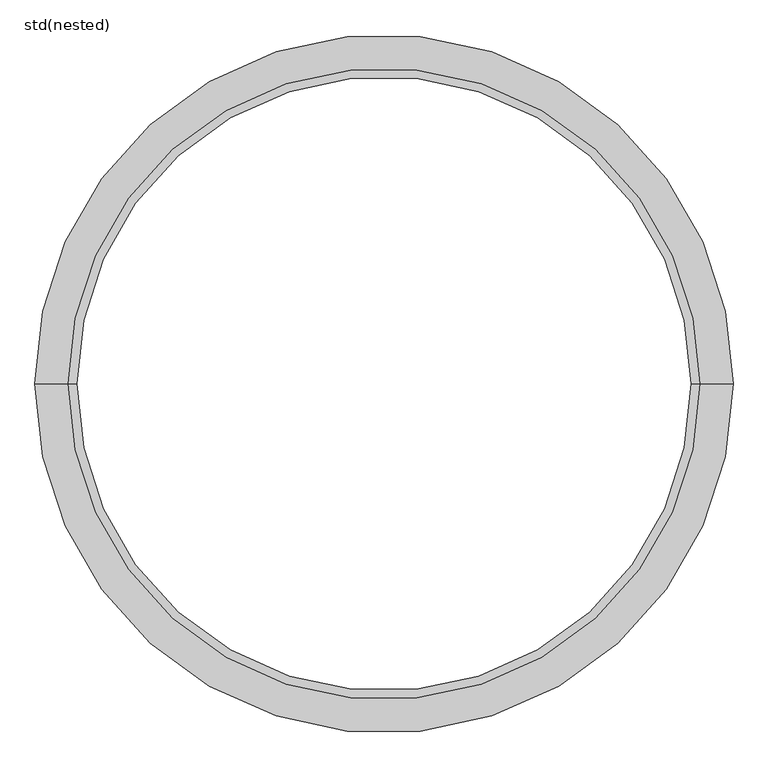
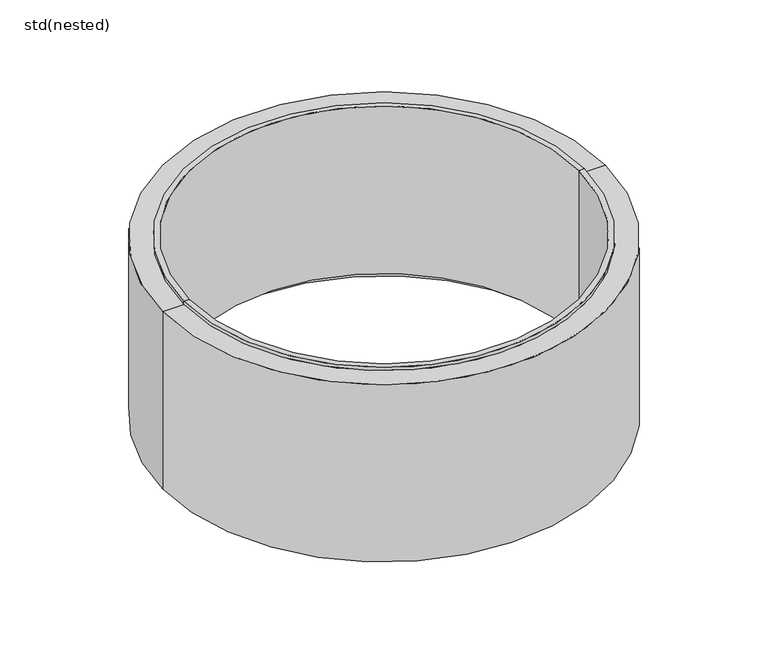
"""IFC4 building model written with IfcOpenShell, lengths in millimetres: unitary equipment geometry, std(nested)."""

from ifc_helpers import new_model, si_unit, frame, origin, place, context, project, spatial, polyline, circle_curve, source, transform, mapped, element, save
from ifc_brep_helpers import plane_surface, cylinder_surface, revolved_surface, advanced_brep


def std_nested_4113eb16(model_context):
    return source(origin(), model_context, "Body", "AdvancedBrep", [
        advanced_brep(
        [(1100.0, 0.0, -480.0), (-1100.0, 0.0, -480.0), (-1100.0, 0.0, -1480.0), (1100.0, 0.0, -1480.0), (1130.0, 0.0, -480.0), (-1130.0, 0.0, -480.0), (1130.0, 0.0, -500.0), (-1130.0, 0.0, -500.0), (1250.0, 0.0, -500.0), (-1250.0, 0.0, -500.0), (1250.0, 0.0, -1560.0), (-1250.0, 0.0, -1560.0), (1195.0, 0.0, -1560.0), (-1195.0, 0.0, -1560.0), (1195.0, 0.0, -1480.0), (-1195.0, 0.0, -1480.0)],
        [
            (0, 1, circle_curve(frame((0.0, 0.0, -480.0), z_axis=(0.0, 0.0, 1.0), x_axis=(-1.0, 0.0, 0.0)), 1100.0)),
            (1, 2),
            (2, 3, circle_curve(frame((0.0, 0.0, -1480.0), z_axis=(0.0, 0.0, -1.0), x_axis=(-1.0, 0.0, 0.0)), 1100.0)),
            (3, 0),
            (1, 0, circle_curve(frame((0.0, 0.0, -480.0), z_axis=(0.0, 0.0, 1.0), x_axis=(-1.0, 0.0, 0.0)), 1100.0)),
            (3, 2, circle_curve(frame((0.0, 0.0, -1480.0), z_axis=(0.0, 0.0, -1.0), x_axis=(-1.0, 0.0, 0.0)), 1100.0)),
            (4, 5, circle_curve(frame((0.0, 0.0, -480.0), z_axis=(0.0, 0.0, 1.0), x_axis=(-1.0, 0.0, 0.0)), 1130.0)),
            (5, 1),
            (0, 4),
            (5, 4, circle_curve(frame((0.0, 0.0, -480.0), z_axis=(0.0, 0.0, 1.0), x_axis=(-1.0, 0.0, 0.0)), 1130.0)),
            (6, 7, circle_curve(frame((0.0, 0.0, -500.0), z_axis=(0.0, 0.0, 1.0), x_axis=(-1.0, 0.0, 0.0)), 1130.0)),
            (7, 5),
            (4, 6),
            (7, 6, circle_curve(frame((0.0, 0.0, -500.0), z_axis=(0.0, 0.0, 1.0), x_axis=(-1.0, 0.0, 0.0)), 1130.0)),
            (8, 9, circle_curve(frame((0.0, 0.0, -500.0), z_axis=(0.0, 0.0, 1.0), x_axis=(-1.0, 0.0, 0.0)), 1250.0)),
            (9, 7),
            (6, 8),
            (9, 8, circle_curve(frame((0.0, 0.0, -500.0), z_axis=(0.0, 0.0, 1.0), x_axis=(-1.0, 0.0, 0.0)), 1250.0)),
            (10, 11, circle_curve(frame((0.0, 0.0, -1560.0), z_axis=(0.0, 0.0, 1.0), x_axis=(-1.0, 0.0, 0.0)), 1250.0)),
            (11, 9),
            (8, 10),
            (11, 10, circle_curve(frame((0.0, 0.0, -1560.0), z_axis=(0.0, 0.0, 1.0), x_axis=(-1.0, 0.0, 0.0)), 1250.0)),
            (12, 13, circle_curve(frame((0.0, 0.0, -1560.0), z_axis=(0.0, 0.0, 1.0), x_axis=(-1.0, 0.0, 0.0)), 1195.0)),
            (13, 11),
            (10, 12),
            (13, 12, circle_curve(frame((0.0, 0.0, -1560.0), z_axis=(0.0, 0.0, 1.0), x_axis=(-1.0, 0.0, 0.0)), 1195.0)),
            (14, 15, circle_curve(frame((0.0, 0.0, -1480.0), z_axis=(0.0, 0.0, 1.0), x_axis=(-1.0, 0.0, 0.0)), 1195.0)),
            (15, 13),
            (12, 14),
            (15, 14, circle_curve(frame((0.0, 0.0, -1480.0), z_axis=(0.0, 0.0, 1.0), x_axis=(-1.0, 0.0, 0.0)), 1195.0)),
            (2, 15),
            (14, 3),
        ],
        [
            revolved_surface(polyline([(-1100.0, 0.0, -1480.0), (-1100.0, 0.0, -480.0)]), (0.0, 0.0, 2590.0), (0.0, 0.0, -1.0)),
            plane_surface(frame((0.0, 0.0, -480.0), z_axis=(0.0, 0.0, 1.0), x_axis=(-1.0, 0.0, 0.0))),
            cylinder_surface(frame((0.0, 0.0, 2590.0), z_axis=(0.0, 0.0, -1.0), x_axis=(-1.0, 0.0, 0.0)), 1130.0),
            plane_surface(frame((0.0, 0.0, -500.0), z_axis=(0.0, 0.0, 1.0), x_axis=(-1.0, 0.0, 0.0))),
            cylinder_surface(frame((0.0, 0.0, 2590.0), z_axis=(0.0, 0.0, -1.0), x_axis=(-1.0, 0.0, 0.0)), 1250.0),
            plane_surface(frame((0.0, 0.0, -1560.0), z_axis=(0.0, 0.0, -1.0), x_axis=(-1.0, 0.0, 0.0))),
            revolved_surface(polyline([(-1195.0, 0.0, -1560.0), (-1195.0, 0.0, -1480.0)]), (0.0, 0.0, 2590.0), (0.0, 0.0, -1.0)),
            plane_surface(frame((0.0, 0.0, -1480.0), z_axis=(0.0, 0.0, -1.0), x_axis=(-1.0, 0.0, 0.0))),
        ],
        [
            (0, [[1, 2, 3, 4]]),
            (0, [[5, -4, 6, -2]]),
            (1, [[7, 8, -1, 9]]),
            (1, [[10, -9, -5, -8]]),
            (2, [[11, 12, -7, 13]]),
            (2, [[14, -13, -10, -12]]),
            (3, [[15, 16, -11, 17]]),
            (3, [[18, -17, -14, -16]]),
            (4, [[19, 20, -15, 21]]),
            (4, [[22, -21, -18, -20]]),
            (5, [[23, 24, -19, 25]]),
            (5, [[26, -25, -22, -24]]),
            (6, [[27, 28, -23, 29]]),
            (6, [[30, -29, -26, -28]]),
            (7, [[-3, 31, -27, 32]]),
            (7, [[-6, -32, -30, -31]]),
        ],
    ),
    ])


if __name__ == "__main__":
    model = new_model("IFC4")
    model_context = context("Model", 3, world=origin())
    ifc_project = project(units=[si_unit("LENGTHUNIT", "METRE", prefix="MILLI")], contexts=[model_context])
    site = spatial("IfcSite", under=ifc_project)
    building = spatial("IfcBuilding", under=site)
    placement = place(None, origin())
    std_nested_shape = std_nested_4113eb16(model_context)
    element("IfcUnitaryEquipment", 1, ObjectType="std(nested)", at=placement, inside=building, context=model_context, shape_type="MappedRepresentation", body=[
        mapped(std_nested_shape, transform((0.0, 0.0, 0.0), x_axis=(1.0, 0.0, 0.0), y_axis=(0.0, 1.0, 0.0), z_axis=(0.0, 0.0, 1.0))),
    ])
    save(model, "model.ifc")
